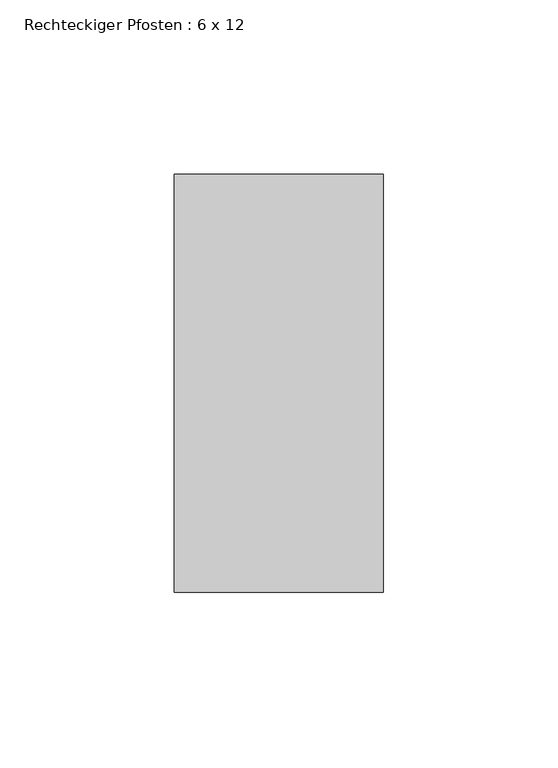
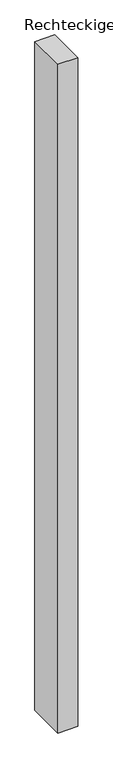
"""IFC4 building model written with IfcOpenShell, lengths in millimetres: member geometry, Rechteckiger Pfosten : 6 x 12."""

from ifc_helpers import new_model, si_unit, frame, origin, place, context, project, spatial, polyline, outline, extrude, source, transform, mapped, element, save


def rechteckiger_pfosten_6_x_12_f950d9b0(model_context):
    return source(origin(), model_context, "Body", "SweptSolid", [
        extrude(outline(polyline([(30.0, 60.0), (30.0, -60.0), (-30.0, -60.0), (-30.0, 60.0), (30.0, 60.0)])), frame((0.0, 0.0, -2130.0), z_axis=(0.0, 0.0, 1.0), x_axis=(1.0, 0.0, 0.0)), (0.0, 0.0, 1.0), 2130.0),
    ])


if __name__ == "__main__":
    model = new_model("IFC4")
    model_context = context("Model", 3, world=origin())
    ifc_project = project(units=[si_unit("LENGTHUNIT", "METRE", prefix="MILLI")], contexts=[model_context])
    site = spatial("IfcSite", under=ifc_project)
    building = spatial("IfcBuilding", under=site)
    placement = place(None, origin())
    rechteckiger_pfosten_6_x_12_shape = rechteckiger_pfosten_6_x_12_f950d9b0(model_context)
    element("IfcMember", 1, ObjectType="Rechteckiger Pfosten : 6 x 12", at=placement, inside=building, context=model_context, shape_type="MappedRepresentation", body=[
        mapped(rechteckiger_pfosten_6_x_12_shape, transform((0.0, 0.0, 0.0), x_axis=(1.0, 0.0, 0.0), y_axis=(0.0, 1.0, 0.0), z_axis=(0.0, 0.0, 1.0))),
    ])
    save(model, "model.ifc")
